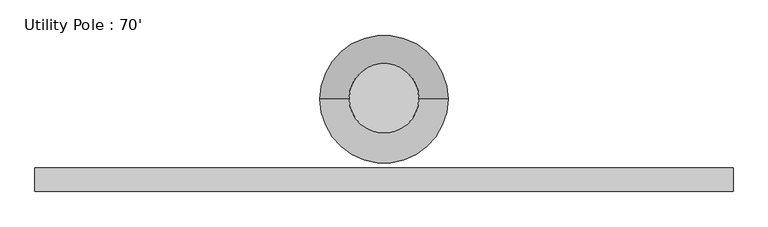
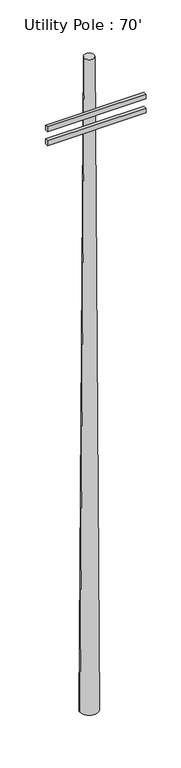
"""IFC4 building model written with IfcOpenShell, lengths in millimetres: geographic element geometry, Utility Pole : 70'."""

from ifc_helpers import new_model, si_unit, frame, origin, place, context, project, spatial, polyline, circle_curve, outline, extrude, source, transform, mapped, element, save
from ifc_brep_helpers import plane_surface, revolved_surface, advanced_brep


def utility_pole_70_8ae02715(model_context):
    return source(origin(), model_context, "Body", "SolidModel", [
        advanced_brep(
        [(-152.4, 0.0, 21336.0), (152.4, 0.0, 21336.0), (-279.4, 0.0, 0.0), (279.4, 0.0, 0.0)],
        [
            (0, 1, circle_curve(frame((0.0, 0.0, 21336.0), z_axis=(0.0, 0.0, 1.0), x_axis=(-1.0, 0.0, 0.0)), 152.4)),
            (1, 0, circle_curve(frame((0.0, 0.0, 21336.0), z_axis=(0.0, 0.0, 1.0), x_axis=(1.0, 0.0, 0.0)), 152.4)),
            (2, 3, circle_curve(frame((0.0, 0.0, 0.0), z_axis=(0.0, 0.0, -1.0), x_axis=(1.0, 0.0, 0.0)), 279.4)),
            (3, 2, circle_curve(frame((0.0, 0.0, 0.0), z_axis=(0.0, 0.0, -1.0), x_axis=(-1.0, 0.0, 0.0)), 279.4)),
            (3, 1),
            (0, 2),
        ],
        [
            plane_surface(frame((0.0, 0.0, 21336.0), z_axis=(0.0, 0.0, 1.0), x_axis=(0.0, -1.0, 0.0))),
            plane_surface(frame((0.0, 0.0, 0.0), z_axis=(0.0, 0.0, -1.0), x_axis=(0.0, -1.0, 0.0))),
            revolved_surface(polyline([(-152.39999999999998, 0.0, 21336.0), (-279.4, 0.0, 0.0)]), (0.0, 0.0, 46939.2), (0.0, 0.0, -1.0)),
            revolved_surface(polyline([(152.39999999999998, 0.0, 21336.0), (279.4, 0.0, 0.0)]), (0.0, 0.0, 46939.2), (0.0, 0.0, -1.0)),
        ],
        [
            (0, [[1, 2]]),
            (1, [[3, 4]]),
            (2, [[-4, 5, -1, 6]]),
            (3, [[-3, -6, -2, -5]]),
        ],
    ),
        extrude(outline(polyline([(-1524.0, -304.8), (1524.0, -304.8), (1524.0, -406.4), (-1524.0, -406.4), (-1524.0, -304.8)])), frame((0.0, 0.0, 19202.4), z_axis=(0.0, 0.0, 1.0), x_axis=(1.0, 0.0, 0.0)), (0.0, 0.0, 1.0), 152.4),
        extrude(outline(polyline([(1524.0, -304.8), (1524.0, -406.4), (-1524.0, -406.4), (-1524.0, -304.8), (1524.0, -304.8)])), frame((0.0, 0.0, 19659.6), z_axis=(0.0, 0.0, 1.0), x_axis=(1.0, 0.0, 0.0)), (0.0, 0.0, 1.0), 152.4),
    ])


if __name__ == "__main__":
    model = new_model("IFC4")
    model_context = context("Model", 3, world=origin())
    ifc_project = project(units=[si_unit("LENGTHUNIT", "METRE", prefix="MILLI")], contexts=[model_context])
    site = spatial("IfcSite", under=ifc_project)
    building = spatial("IfcBuilding", under=site)
    placement = place(None, origin())
    utility_pole_70_shape = utility_pole_70_8ae02715(model_context)
    element("IfcGeographicElement", 1, ObjectType="Utility Pole : 70'", at=placement, inside=building, context=model_context, shape_type="MappedRepresentation", body=[
        mapped(utility_pole_70_shape, transform((0.0, 0.0, 0.0), x_axis=(1.0, 0.0, 0.0), y_axis=(0.0, 1.0, 0.0), z_axis=(0.0, 0.0, 1.0))),
    ])
    save(model, "model.ifc")
